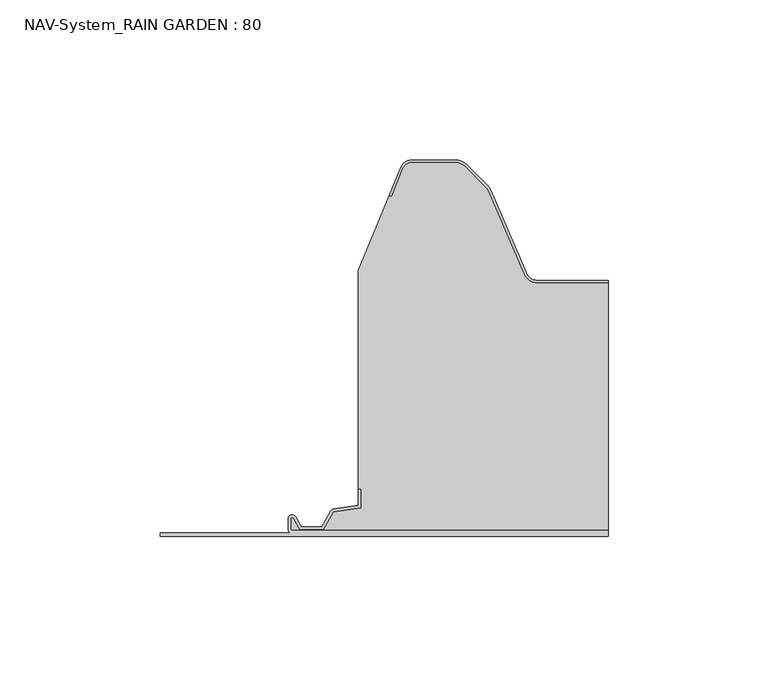
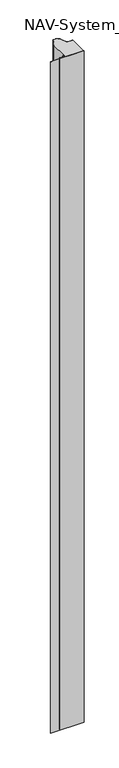
"""IFC4 building model written with IfcOpenShell, lengths in millimetres: plate geometry, NAV-System_RAIN GARDEN : 80."""

from ifc_helpers import new_model, si_unit, point, frame, frame_2d, origin, origin_with_axes, place, context, project, spatial, polyline, circle_curve, trimmed, segment, composite_curve, outline, extrude, source, transform, mapped, element, save


def nav_system_rain_garden_80_b699147d(model_context):
    return source(origin(), model_context, "Body", "SweptSolid", [
        extrude(outline(composite_curve([segment(polyline([(0.0, -90.0), (0.0, 50.0), (1.8, 50.0), (1.8, -48.7)]), True, "CONTINUOUS"), segment(trimmed(circle_curve(frame_2d((2.3, -48.7)), 0.5), [point((1.8, -48.7))], [point((2.3, -49.2))], True, "CARTESIAN"), True, "CONTINUOUS"), segment(polyline([(2.3, -49.2), (5.3700191, -49.2)]), True, "CONTINUOUS"), segment(trimmed(circle_curve(frame_2d((5.3700191, -48.7)), 0.5), [point((5.3700191, -49.2))], [point((5.6200191, -48.2669873))], True, "CARTESIAN"), True, "CONTINUOUS"), segment(polyline([(5.6200191, -48.2669873), (2.2, -46.2924383), (2.2, -38.9841833), (7.6866602, -35.8164586), (8.898332, -27.2), (14.6767555, -27.2), (14.6767555, -28.0), (9.5937048, -28.0), (8.5128213, -35.6863953)]), True, "CONTINUOUS"), segment(trimmed(circle_curve(frame_2d((7.2254873, -35.5053666)), 1.3), [point((8.5128213, -35.6863953))], [point((7.8754873, -36.6311996))], False, "CARTESIAN"), True, "CONTINUOUS"), segment(polyline([(7.8754873, -36.6311996), (3.0, -39.4460636), (3.0, -45.8305581), (6.0200191, -47.574167)]), True, "CONTINUOUS"), segment(trimmed(circle_curve(frame_2d((5.3700191, -48.7)), 1.3), [point((6.0200191, -47.574167))], [point((5.3700191, -50.0))], False, "CARTESIAN"), True, "CONTINUOUS"), segment(polyline([(5.3700191, -50.0), (2.3, -50.0)]), True, "CONTINUOUS"), segment(trimmed(circle_curve(frame_2d((2.3, -48.7)), 1.3), [point((2.3, -50.0))], [point((1.0, -48.7))], False, "CARTESIAN"), True, "CONTINUOUS"), segment(polyline([(1.0, -48.7), (1.0, -90.0), (0.0, -90.0)]), True, "CONTINUOUS")], self_intersect=False)), frame((0.0, 0.0, 3000.0), z_axis=(0.0, 0.0, -1.0), x_axis=(0.0, 1.0, 0.0)), (0.0, 0.0, 1.0), 3000.0),
        extrude(outline(composite_curve([segment(polyline([(28.0709249, 79.2), (50.0, 79.2), (50.0, 1.8), (-48.7, 1.8)]), True, "CONTINUOUS"), segment(trimmed(circle_curve(frame_2d((-48.7, 2.3)), 0.5), [point((-48.7, 1.8))], [point((-49.2, 2.3))], False, "CARTESIAN"), True, "CONTINUOUS"), segment(polyline([(-49.2, 2.3), (-49.2, 5.3700191)]), True, "CONTINUOUS"), segment(trimmed(circle_curve(frame_2d((-48.7, 5.3700191)), 0.5), [point((-49.2, 5.3700191))], [point((-48.2669873, 5.6200191))], False, "CARTESIAN"), True, "CONTINUOUS"), segment(polyline([(-48.2669873, 5.6200191), (-46.2924383, 2.2), (-38.9841833, 2.2), (-35.8164586, 7.6866602), (-27.2, 8.898332), (-27.2, 14.6767555), (-28.0, 14.6767555), (-28.0, 83.053822), (-18.3696578, 106.593514), (-17.6292254, 106.2905951), (-14.1022482, 114.9116756)]), True, "CONTINUOUS"), segment(trimmed(circle_curve(frame_2d((-11.1405186, 113.7)), 3.2), [point((-14.1022482, 114.9116756))], [point((-11.1405186, 116.9))], False, "CARTESIAN"), True, "CONTINUOUS"), segment(polyline([(-11.1405186, 116.9), (2.2655335, 116.9)]), True, "CONTINUOUS"), segment(trimmed(circle_curve(frame_2d((2.2655335, 112.7)), 4.2), [point((2.2655335, 116.9))], [point((5.235382, 115.6698485))], False, "CARTESIAN"), True, "CONTINUOUS"), segment(polyline([(5.235382, 115.6698485), (11.6863603, 109.2188701)]), True, "CONTINUOUS"), segment(trimmed(circle_curve(frame_2d((8.7165118, 106.2490217)), 4.2), [point((11.6863603, 109.2188701))], [point((12.5754349, 107.9069459))], False, "CARTESIAN"), True, "CONTINUOUS"), segment(polyline([(12.5754349, 107.9069459), (23.6607271, 82.1052295)]), True, "CONTINUOUS"), segment(trimmed(circle_curve(frame_2d((28.0709249, 84.0)), 4.8), [point((23.6607271, 82.1052295))], [point((28.0709249, 79.2))], True, "CARTESIAN"), True, "CONTINUOUS")], self_intersect=False)), origin_with_axes(), (0.0, 0.0, 1.0), 3000.0),
        extrude(outline(composite_curve([segment(trimmed(circle_curve(frame_2d((-11.1408608, 113.7)), 4.0), [point((-14.8430228, 115.2145945))], [point((-11.1408608, 117.7))], False, "CARTESIAN"), True, "CONTINUOUS"), segment(polyline([(-11.1408608, 117.7), (2.2651913, 117.7)]), True, "CONTINUOUS"), segment(trimmed(circle_curve(frame_2d((2.2651913, 112.7)), 5.0), [point((2.2651913, 117.7))], [point((5.8007252, 116.2355339))], False, "CARTESIAN"), True, "CONTINUOUS"), segment(polyline([(5.8007252, 116.2355339), (12.2517035, 109.7845556)]), True, "CONTINUOUS"), segment(trimmed(circle_curve(frame_2d((8.7161696, 106.2490217)), 5.0), [point((12.2517035, 109.7845556))], [point((13.3101256, 108.2227409))], False, "CARTESIAN"), True, "CONTINUOUS"), segment(polyline([(13.3101256, 108.2227409), (24.3954178, 82.4210246)]), True, "CONTINUOUS"), segment(trimmed(circle_curve(frame_2d((28.0705827, 84.0)), 4.0), [point((24.3954178, 82.4210246))], [point((28.0705827, 80.0))], True, "CARTESIAN"), True, "CONTINUOUS"), segment(polyline([(28.0705827, 80.0), (50.0, 80.0), (50.0, 79.2), (28.0705827, 79.2)]), True, "CONTINUOUS"), segment(trimmed(circle_curve(frame_2d((28.0705827, 84.0)), 4.8), [point((28.0705827, 79.2))], [point((23.6603849, 82.1052295))], False, "CARTESIAN"), True, "CONTINUOUS"), segment(polyline([(23.6603849, 82.1052295), (12.5750927, 107.9069459)]), True, "CONTINUOUS"), segment(trimmed(circle_curve(frame_2d((8.7161696, 106.2490217)), 4.2), [point((12.5750927, 107.9069459))], [point((11.6860181, 109.2188701))], True, "CARTESIAN"), True, "CONTINUOUS"), segment(polyline([(11.6860181, 109.2188701), (5.2350397, 115.6698485)]), True, "CONTINUOUS"), segment(trimmed(circle_curve(frame_2d((2.2651913, 112.7)), 4.2), [point((5.2350397, 115.6698485))], [point((2.2651913, 116.9))], True, "CARTESIAN"), True, "CONTINUOUS"), segment(polyline([(2.2651913, 116.9), (-11.1408608, 116.9)]), True, "CONTINUOUS"), segment(trimmed(circle_curve(frame_2d((-11.1408608, 113.7)), 3.2), [point((-11.1408608, 116.9))], [point((-14.1025904, 114.9116756))], True, "CARTESIAN"), True, "CONTINUOUS"), segment(polyline([(-14.1025904, 114.9116756), (-17.6295676, 106.2905951), (-18.37, 106.593514), (-14.8430228, 115.2145945)]), True, "CONTINUOUS")], self_intersect=False)), origin_with_axes(), (0.0, 0.0, 1.0), 3000.0),
    ])


if __name__ == "__main__":
    model = new_model("IFC4")
    model_context = context("Model", 3, world=origin())
    ifc_project = project(units=[si_unit("LENGTHUNIT", "METRE", prefix="MILLI")], contexts=[model_context])
    site = spatial("IfcSite", under=ifc_project)
    building = spatial("IfcBuilding", under=site)
    placement = place(None, origin())
    nav_system_rain_garden_80_shape = nav_system_rain_garden_80_b699147d(model_context)
    element("IfcPlate", 1, ObjectType="NAV-System_RAIN GARDEN : 80", at=placement, inside=building, context=model_context, shape_type="MappedRepresentation", body=[
        mapped(nav_system_rain_garden_80_shape, transform((0.0, 0.0, 0.0), x_axis=(1.0, 0.0, 0.0), y_axis=(0.0, 1.0, 0.0), z_axis=(0.0, 0.0, 1.0))),
    ])
    save(model, "model.ifc")
